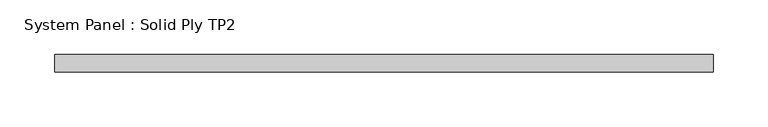
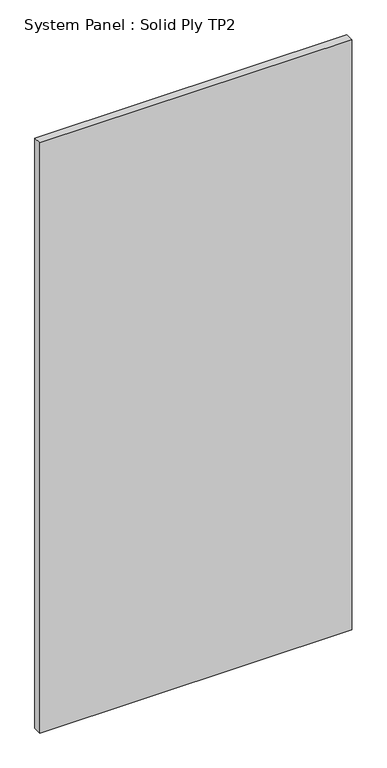
"""IFC4 building model written with IfcOpenShell, lengths in millimetres: plate geometry, System Panel : Solid Ply TP2."""

from ifc_helpers import new_model, si_unit, origin, origin_with_axes, place, context, project, spatial, polyline, outline, extrude, source, transform, mapped, element, save


def system_panel_solid_ply_tp2_85ba302b(model_context):
    return source(origin(), model_context, "Body", "SweptSolid", [
        extrude(outline(polyline([(300.0000002, -23.0), (-300.0000002, -23.0), (-300.0000002, -7.0), (300.0000002, -7.0), (300.0000002, -23.0)])), origin_with_axes(), (0.0, 0.0, 1.0), 1200.0),
    ])


if __name__ == "__main__":
    model = new_model("IFC4")
    model_context = context("Model", 3, world=origin())
    ifc_project = project(units=[si_unit("LENGTHUNIT", "METRE", prefix="MILLI")], contexts=[model_context])
    site = spatial("IfcSite", under=ifc_project)
    building = spatial("IfcBuilding", under=site)
    placement = place(None, origin())
    system_panel_solid_ply_tp2_shape = system_panel_solid_ply_tp2_85ba302b(model_context)
    element("IfcPlate", 1, ObjectType="System Panel : Solid Ply TP2", at=placement, inside=building, context=model_context, shape_type="MappedRepresentation", body=[
        mapped(system_panel_solid_ply_tp2_shape, transform((0.0, 0.0, 0.0), x_axis=(1.0, 0.0, 0.0), y_axis=(0.0, 1.0, 0.0), z_axis=(0.0, 0.0, 1.0))),
    ])
    save(model, "model.ifc")
